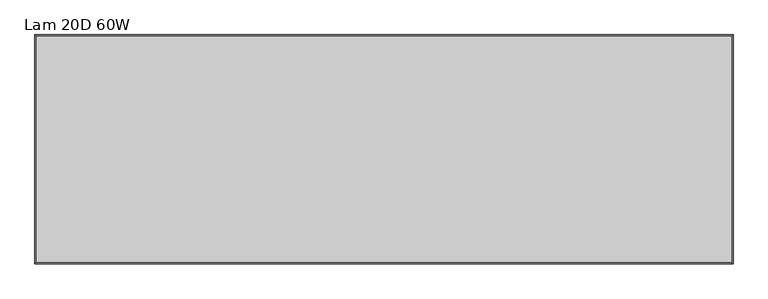
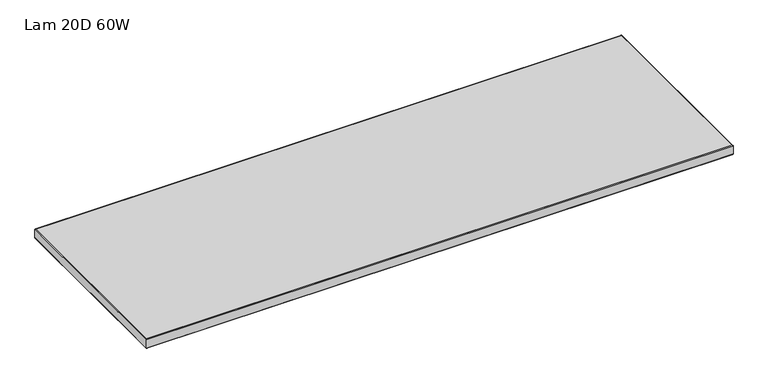
"""IFC4 building model written with IfcOpenShell, lengths in millimetres: furniture geometry, Lam 20D 60W."""

from ifc_helpers import new_model, si_unit, frame, origin, place, context, project, spatial, polyline, ellipse_curve, outline, extrude, source, transform, mapped, element, save
from ifc_brep_helpers import plane_surface, cylinder_surface, advanced_brep


def lam_20d_60w_8fe54544(model_context):
    return source(origin(), model_context, "Body", "SolidModel", [
        advanced_brep(
        [(-757.2248, 197.0, 723.9), (-757.2248, 197.0, 698.5), (757.2248, 197.0, 698.5), (757.2248, 197.0, 723.9), (757.2248, -298.2718, 698.5), (757.2248, -298.2718, 723.9), (-757.2248, -298.2718, 698.5), (-757.2248, -298.2718, 723.9), (-758.825, 198.6002, 700.1002), (-758.825, 198.6002, 722.2998), (758.825, 198.6002, 722.2998), (758.825, 198.6002, 700.1002), (758.825, -299.872, 722.2998), (758.825, -299.872, 700.1002), (-758.825, -299.872, 722.2998), (-758.825, -299.872, 700.1002)],
        [
            (0, 1),
            (1, 2),
            (2, 3),
            (3, 0),
            (2, 4),
            (4, 5),
            (5, 3),
            (4, 6),
            (6, 7),
            (7, 5),
            (6, 1),
            (0, 7),
            (8, 9),
            (9, 10),
            (10, 11),
            (11, 8),
            (10, 12),
            (12, 13),
            (13, 11),
            (12, 14),
            (14, 15),
            (15, 13),
            (14, 9),
            (8, 15),
            (9, 0, ellipse_curve(frame((-757.2248, 197.0, 722.2998), z_axis=(0.7071067811865475, 0.7071067811865475, 0.0), x_axis=(-0.7071067811865476, 0.7071067811865474, 0.0)), 2.2630245, 1.6002)),
            (3, 10, ellipse_curve(frame((757.2248, 197.0, 722.2998), z_axis=(-0.7071067811865475, 0.7071067811865475, 0.0), x_axis=(-0.7071067811865476, -0.7071067811865474, 0.0)), 2.2630245, 1.6002)),
            (1, 8, ellipse_curve(frame((-757.2248, 197.0, 700.1002), z_axis=(0.7071067811865475, 0.7071067811865475, 0.0), x_axis=(-0.7071067811865476, 0.7071067811865474, 0.0)), 2.2630245, 1.6002)),
            (11, 2, ellipse_curve(frame((757.2248, 197.0, 700.1002), z_axis=(-0.7071067811865475, 0.7071067811865475, 0.0), x_axis=(-0.7071067811865476, -0.7071067811865474, 0.0)), 2.2630245, 1.6002)),
            (5, 12, ellipse_curve(frame((757.2248, -298.2718, 722.2998), z_axis=(0.7071067811865475, 0.7071067811865475, 0.0), x_axis=(-0.7071067811865474, 0.7071067811865476, 0.0)), 2.2630245, 1.6002)),
            (13, 4, ellipse_curve(frame((757.2248, -298.2718, 700.1002), z_axis=(0.7071067811865475, 0.7071067811865475, 0.0), x_axis=(-0.7071067811865474, 0.7071067811865476, 0.0)), 2.2630245, 1.6002)),
            (7, 14, ellipse_curve(frame((-757.2248, -298.2718, 722.2998), z_axis=(0.7071067811865475, -0.7071067811865475, 0.0), x_axis=(0.7071067811865476, 0.7071067811865474, 0.0)), 2.2630245, 1.6002)),
            (15, 6, ellipse_curve(frame((-757.2248, -298.2718, 700.1002), z_axis=(0.7071067811865475, -0.7071067811865475, 0.0), x_axis=(0.7071067811865476, 0.7071067811865474, 0.0)), 2.2630245, 1.6002)),
        ],
        [
            plane_surface(frame((-757.2248, 197.0, 698.5), z_axis=(0.0, -1.0, 0.0), x_axis=(1.0, 0.0, 0.0))),
            plane_surface(frame((757.2248, 197.0, 698.5), z_axis=(-1.0, 0.0, 0.0), x_axis=(0.0, -1.0, 0.0))),
            plane_surface(frame((757.2248, -298.2718, 698.5), z_axis=(0.0, 1.0, 0.0), x_axis=(-1.0, 0.0, 0.0))),
            plane_surface(frame((-757.2248, -298.2718, 698.5), z_axis=(1.0, 0.0, 0.0), x_axis=(0.0, 1.0, 0.0))),
            plane_surface(frame((-758.825, 198.6002, 722.2998), z_axis=(0.0, 1.0, 0.0), x_axis=(1.0, 0.0, 0.0))),
            plane_surface(frame((758.825, 198.6002, 722.2998), z_axis=(1.0, 0.0, 0.0), x_axis=(0.0, -1.0, 0.0))),
            plane_surface(frame((758.825, -299.872, 722.2998), z_axis=(0.0, -1.0, 0.0), x_axis=(-1.0, 0.0, 0.0))),
            plane_surface(frame((-758.825, -299.872, 722.2998), z_axis=(-1.0, 0.0, 0.0), x_axis=(0.0, 1.0, 0.0))),
            cylinder_surface(frame((-757.2248, 197.0, 722.2998), z_axis=(-1.0, 0.0, 0.0), x_axis=(0.0, -1.0, 0.0)), 1.6002),
            cylinder_surface(frame((-757.2248, 197.0, 700.1002), z_axis=(-1.0, 0.0, 0.0), x_axis=(0.0, -1.0, 0.0)), 1.6002),
            cylinder_surface(frame((757.2248, 197.0, 722.2998), z_axis=(0.0, 1.0, 0.0), x_axis=(-1.0, 0.0, 0.0)), 1.6002),
            cylinder_surface(frame((757.2248, 197.0, 700.1002), z_axis=(0.0, 1.0, 0.0), x_axis=(-1.0, 0.0, 0.0)), 1.6002),
            cylinder_surface(frame((757.2248, -298.2718, 722.2998), z_axis=(1.0, 0.0, 0.0), x_axis=(0.0, 1.0, 0.0)), 1.6002),
            cylinder_surface(frame((757.2248, -298.2718, 700.1002), z_axis=(1.0, 0.0, 0.0), x_axis=(0.0, 1.0, 0.0)), 1.6002),
            cylinder_surface(frame((-757.2248, -298.2718, 722.2998), z_axis=(0.0, -1.0, 0.0), x_axis=(1.0, 0.0, 0.0)), 1.6002),
            cylinder_surface(frame((-757.2248, -298.2718, 700.1002), z_axis=(0.0, -1.0, 0.0), x_axis=(1.0, 0.0, 0.0)), 1.6002),
        ],
        [
            (0, [[1, 2, 3, 4]]),
            (1, [[-3, 5, 6, 7]]),
            (2, [[-6, 8, 9, 10]]),
            (3, [[-9, 11, -1, 12]]),
            (4, [[13, 14, 15, 16]]),
            (5, [[-15, 17, 18, 19]]),
            (6, [[-18, 20, 21, 22]]),
            (7, [[-21, 23, -13, 24]]),
            (8, [[25, -4, 26, -14]]),
            (9, [[27, -16, 28, -2]]),
            (10, [[-26, -7, 29, -17]]),
            (11, [[-28, -19, 30, -5]]),
            (12, [[-29, -10, 31, -20]]),
            (13, [[-30, -22, 32, -8]]),
            (14, [[-31, -12, -25, -23]]),
            (15, [[-32, -24, -27, -11]]),
        ],
    ),
        extrude(outline(polyline([(757.2248, 197.0), (757.2248, -298.2718), (-757.2248, -298.2718), (-757.2248, 197.0), (757.2248, 197.0)])), frame((0.0, 0.0, 698.5), z_axis=(0.0, 0.0, 1.0), x_axis=(1.0, 0.0, 0.0)), (0.0, 0.0, 1.0), 25.4),
    ])


if __name__ == "__main__":
    model = new_model("IFC4")
    model_context = context("Model", 3, world=origin())
    ifc_project = project(units=[si_unit("LENGTHUNIT", "METRE", prefix="MILLI")], contexts=[model_context])
    site = spatial("IfcSite", under=ifc_project)
    building = spatial("IfcBuilding", under=site)
    placement = place(None, origin())
    lam_20d_60w_shape = lam_20d_60w_8fe54544(model_context)
    element("IfcFurniture", 1, ObjectType="Lam 20D 60W", at=placement, inside=building, context=model_context, shape_type="MappedRepresentation", body=[
        mapped(lam_20d_60w_shape, transform((0.0, 0.0, 0.0), x_axis=(1.0, 0.0, 0.0), y_axis=(0.0, 1.0, 0.0), z_axis=(0.0, 0.0, 1.0))),
    ])
    save(model, "model.ifc")
